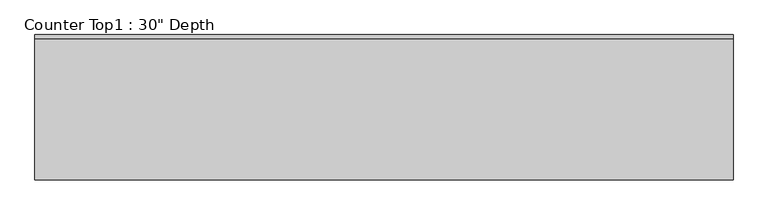
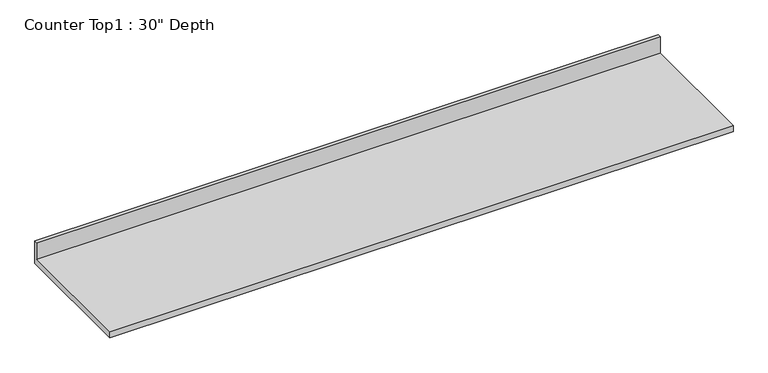
"""IFC4 building model written with IfcOpenShell, lengths in millimetres: furniture geometry."""

import ifcopenshell
import ifcopenshell.guid

model = None  # the IFC model being written
_history = None  # IfcOwnerHistory: only IFC2X3 demands one
_inside = {}  # id of a spatial element -> (the spatial element, [elements in it])
_under = {}  # id of a project, library or spatial element -> (it, [spatial elements below it])
_declared = {}  # id of a project -> (the project, [libraries it declares])
_typed = {}  # id of a type object -> (the type object, [elements of that type])
_made_of = {}  # id of a material, layer set ... -> (it, [elements and type objects made of it])


def new_model(schema):
    """Start an empty IFC model of exactly this schema.

    Asked for "IFC4X3", IfcOpenShell would pick the latest addendum, in which some entities
    have other attributes; the version numbers below select the first issue.
    IFC2X3 requires an IfcOwnerHistory on every rooted entity: one is made here for all.
    """
    global model, _history
    if schema == "IFC4X3":
        model = ifcopenshell.file(schema_version=(4, 3, 0, 0))
    else:
        model = ifcopenshell.file(schema=schema)
    _inside.clear()
    _under.clear()
    _declared.clear()
    _typed.clear()
    _made_of.clear()
    _history = None
    if model.schema == "IFC2X3":
        org = make("IfcOrganization", Name="unknown")
        user = make(
            "IfcPersonAndOrganization",
            ThePerson=make("IfcPerson", FamilyName="unknown"),
            TheOrganization=org,
        )
        app = make(
            "IfcApplication",
            ApplicationDeveloper=org,
            Version="unknown",
            ApplicationFullName="unknown",
            ApplicationIdentifier="unknown",
        )
        _history = make(
            "IfcOwnerHistory",
            OwningUser=user,
            OwningApplication=app,
            ChangeAction="ADDED",
            CreationDate=0,
        )
    return model


def make(cls, **values):
    """One entity of the class cls with the attributes given. An attribute that is None is left unset."""
    return model.create_entity(
        cls, **{name: value for name, value in values.items() if value is not None}
    )


def rooted(cls, **values):
    """An entity with a GlobalId (a new one), such as an element, a storey or a relation."""
    return make(cls, GlobalId=ifcopenshell.guid.new(), OwnerHistory=_history, **values)


def si_unit(unit_type, name, prefix=None):
    """IfcSIUnit, for example si_unit("LENGTHUNIT", "METRE", prefix="MILLI")."""
    return make("IfcSIUnit", UnitType=unit_type, Prefix=prefix, Name=name)


def assignment(units):
    """IfcUnitAssignment: the units of a project."""
    return None if units is None else make("IfcUnitAssignment", Units=units)


def point(xyz):
    """IfcCartesianPoint."""
    return None if xyz is None else make("IfcCartesianPoint", Coordinates=xyz)


def direction(xyz):
    """IfcDirection."""
    return None if xyz is None else make("IfcDirection", DirectionRatios=xyz)


def frame(location, z_axis=None, x_axis=None):
    """IfcAxis2Placement3D, a coordinate frame: its origin and axes. An axis left out is left unset."""
    return make(
        "IfcAxis2Placement3D",
        Location=point(location),
        Axis=direction(z_axis),
        RefDirection=direction(x_axis),
    )


def origin():
    """The frame at (0, 0, 0) with its axes left unset."""
    return frame((0.0, 0.0, 0.0))


def place(relative_to, where):
    """IfcLocalPlacement: puts the frame where relative to a parent placement (None: the world)."""
    return make(
        "IfcLocalPlacement", PlacementRelTo=relative_to, RelativePlacement=where
    )


def context(
    kind, dimensions, precision=None, world=None, true_north=None, identifier=None
):
    """IfcGeometricRepresentationContext, for example the 3D "Model" context."""
    return make(
        "IfcGeometricRepresentationContext",
        ContextIdentifier=identifier,
        ContextType=kind,
        CoordinateSpaceDimension=dimensions,
        Precision=precision,
        WorldCoordinateSystem=world,
        TrueNorth=true_north,
    )


def project(units=None, contexts=None):
    """IfcProject with its units and contexts."""
    return rooted(
        "IfcProject",
        Name="project",
        RepresentationContexts=contexts,
        UnitsInContext=assignment(units),
    )


def spatial(cls, under=None, at=None, **own):
    """A site, building, storey or space (cls), placed at a placement, below another one or the project."""
    s = rooted(cls, ObjectPlacement=at, **own)
    if under is not None:
        _under.setdefault(under.id(), (under, []))[1].append(s)
    return s


def polyline(points):
    """IfcPolyline through the points."""
    return make("IfcPolyline", Points=[point(p) for p in points])


def outline(outer, holes=None, kind="AREA"):
    """IfcArbitraryClosedProfileDef: a profile drawn as a closed curve; with holes, ...WithVoids."""
    if holes is None:
        return make("IfcArbitraryClosedProfileDef", ProfileType=kind, OuterCurve=outer)
    return make(
        "IfcArbitraryProfileDefWithVoids",
        ProfileType=kind,
        OuterCurve=outer,
        InnerCurves=holes,
    )


def extrude(swept, where, along, depth):
    """IfcExtrudedAreaSolid: the profile swept, set in the frame where, extruded along a direction by depth."""
    return make(
        "IfcExtrudedAreaSolid",
        SweptArea=swept,
        Position=where,
        ExtrudedDirection=direction(along),
        Depth=depth,
    )


def shape(context_of_items, identifier, shape_type, items):
    """IfcShapeRepresentation: the items that make up one representation, for example the "Body"."""
    return make(
        "IfcShapeRepresentation",
        ContextOfItems=context_of_items,
        RepresentationIdentifier=identifier,
        RepresentationType=shape_type,
        Items=items,
    )


def source(mapping_origin, context_of_items, identifier, shape_type, items):
    """IfcRepresentationMap: a shape defined once, which mapped items show again and again."""
    return make(
        "IfcRepresentationMap",
        MappingOrigin=mapping_origin,
        MappedRepresentation=shape(context_of_items, identifier, shape_type, items),
    )


def transform(
    local_origin,
    x_axis=None,
    y_axis=None,
    z_axis=None,
    scale=None,
    scale2=None,
    scale3=None,
    uniform=True,
):
    """IfcCartesianTransformationOperator3D, or its non-uniform kind. x_axis, y_axis, z_axis: its Axis1, 2, 3."""
    if uniform:
        return make(
            "IfcCartesianTransformationOperator3D",
            Axis1=direction(x_axis),
            Axis2=direction(y_axis),
            LocalOrigin=point(local_origin),
            Scale=scale,
            Axis3=direction(z_axis),
        )
    return make(
        "IfcCartesianTransformationOperator3DnonUniform",
        Axis1=direction(x_axis),
        Axis2=direction(y_axis),
        LocalOrigin=point(local_origin),
        Scale=scale,
        Axis3=direction(z_axis),
        Scale2=scale2,
        Scale3=scale3,
    )


def mapped(mapping_source, mapping_target):
    """IfcMappedItem: shows the shape of a source again, moved by a transform."""
    return make(
        "IfcMappedItem", MappingSource=mapping_source, MappingTarget=mapping_target
    )


def made_of(thing, what):
    """Note that an element or type object is made of a material, layer set ...; save() writes the relation."""
    if what is not None:
        _made_of.setdefault(what.id(), (what, []))[1].append(thing)
    return thing


def element(
    cls,
    number,
    at=None,
    inside=None,
    cuts=None,
    type_object=None,
    material=None,
    context=None,
    identifier="Body",
    shape_type=None,
    held_by="IfcProductDefinitionShape",
    body=None,
    shapes=None,
    **own,
):
    """One element of the class cls, such as IfcWall. Its Tag is "e" and its number.

    at: its placement. inside: the storey or other place that contains it. cuts: it is an
    opening in that element (IfcRelVoidsElement). A single representation is given by context,
    identifier, shape_type and body (its items); several are given by shapes. held_by: the class
    of the entity that holds the representations. save() writes the other relations.
    """
    e = rooted(cls, Tag="e%d" % number, ObjectPlacement=at, **own)
    if body is not None:
        shapes = [shape(context, identifier, shape_type, body)]
    if shapes is not None:
        e.Representation = make(held_by, Representations=shapes)
    if inside is not None:
        _inside.setdefault(inside.id(), (inside, []))[1].append(e)
    if cuts is not None:
        rooted(
            "IfcRelVoidsElement", RelatingBuildingElement=cuts, RelatedOpeningElement=e
        )
    if type_object is not None:
        _typed.setdefault(type_object.id(), (type_object, []))[1].append(e)
    return made_of(e, material)


def aggregate(whole, parts):
    """IfcRelAggregates: a whole, such as a stair, and the parts it consists of."""
    return rooted("IfcRelAggregates", RelatingObject=whole, RelatedObjects=parts)


def save(model, path):
    """Write the relations noted so far, then the file.

    IfcRelAggregates (storeys below a building ...), IfcRelContainedInSpatialStructure (elements
    in a storey), IfcRelDefinesByType, IfcRelAssociatesMaterial and IfcRelDeclares: one each for
    every whole, place, type object, material and project.
    """
    for whole, parts in _under.values():
        aggregate(whole, parts)
    for where, things in _inside.values():
        rooted(
            "IfcRelContainedInSpatialStructure",
            RelatedElements=things,
            RelatingStructure=where,
        )
    for kind, things in _typed.values():
        rooted("IfcRelDefinesByType", RelatedObjects=things, RelatingType=kind)
    for what, things in _made_of.values():
        rooted("IfcRelAssociatesMaterial", RelatedObjects=things, RelatingMaterial=what)
    for by, libraries in _declared.values():
        rooted("IfcRelDeclares", RelatingContext=by, RelatedDefinitions=libraries)
    model.write(path)


def furniture_5ca3847e(model_context):
    return source(origin(), model_context, "Body", "SweptSolid", [
        extrude(outline(polyline([(0.0, 1016.0), (0.0, 876.3), (-762.0, 876.3), (-762.0, 914.4), (-19.05, 914.4), (-19.05, 1016.0), (0.0, 1016.0)])), frame((-1200.4622951, 0.0, 0.0), z_axis=(1.0, 0.0, 0.0), x_axis=(0.0, 1.0, 0.0)), (0.0, 0.0, 1.0), 3657.6),
    ])


if __name__ == "__main__":
    model = new_model("IFC4")
    model_context = context("Model", 3, world=origin())
    ifc_project = project(units=[si_unit("LENGTHUNIT", "METRE", prefix="MILLI")], contexts=[model_context])
    site = spatial("IfcSite", under=ifc_project)
    building = spatial("IfcBuilding", under=site)
    placement = place(None, origin())
    furniture_shape = furniture_5ca3847e(model_context)
    element("IfcFurniture", 1, ObjectType="Counter Top1 : 30\" Depth", at=placement, inside=building, context=model_context, shape_type="MappedRepresentation", body=[
        mapped(furniture_shape, transform((0.0, 0.0, 0.0), x_axis=(1.0, 0.0, 0.0), y_axis=(0.0, 1.0, 0.0), z_axis=(0.0, 0.0, 1.0))),
    ])
    save(model, "model.ifc")
